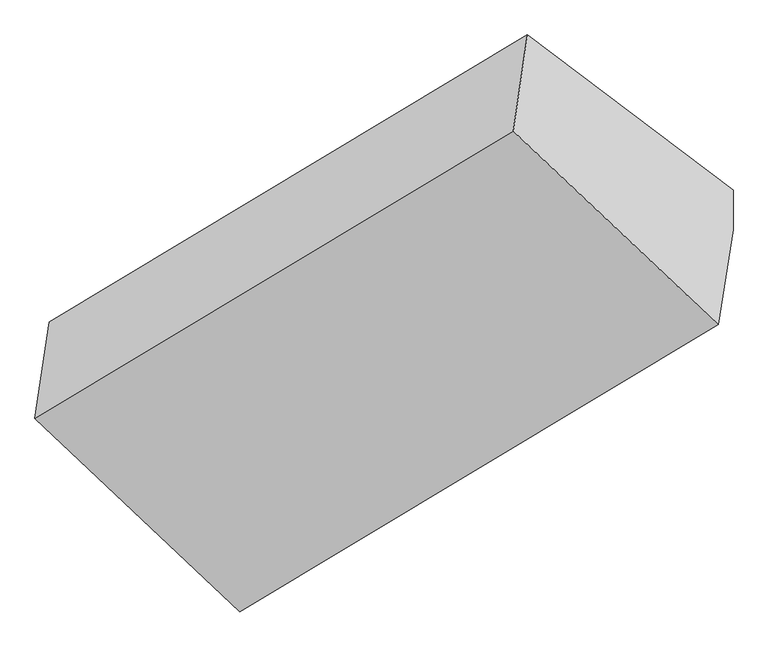
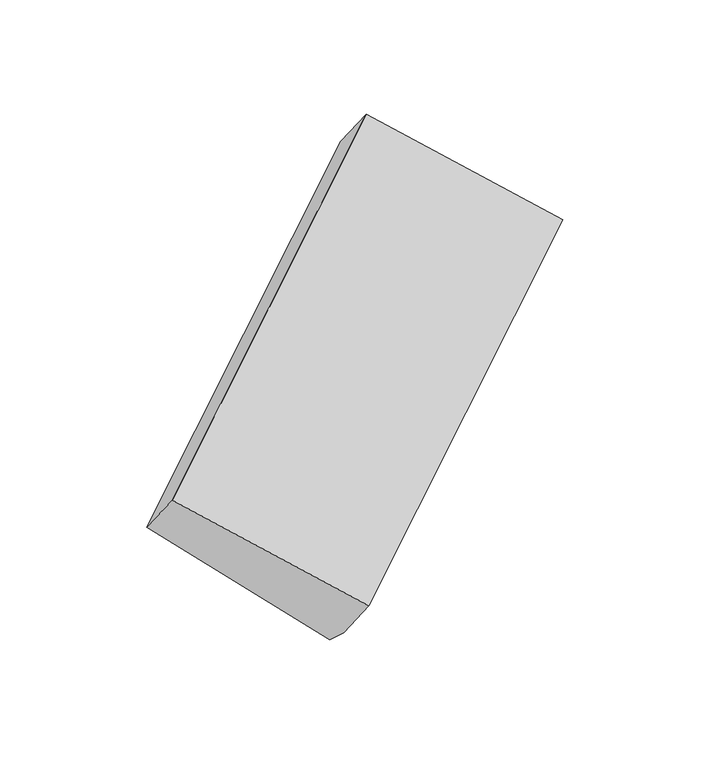
"""IFC4 building model written with IfcOpenShell, lengths in millimetres: proxy geometry."""

import ifcopenshell
import ifcopenshell.guid

model = None  # the IFC model being written
_history = None  # IfcOwnerHistory: only IFC2X3 demands one
_inside = {}  # id of a spatial element -> (the spatial element, [elements in it])
_under = {}  # id of a project, library or spatial element -> (it, [spatial elements below it])
_declared = {}  # id of a project -> (the project, [libraries it declares])
_typed = {}  # id of a type object -> (the type object, [elements of that type])
_made_of = {}  # id of a material, layer set ... -> (it, [elements and type objects made of it])


def new_model(schema):
    """Start an empty IFC model of exactly this schema.

    Asked for "IFC4X3", IfcOpenShell would pick the latest addendum, in which some entities
    have other attributes; the version numbers below select the first issue.
    IFC2X3 requires an IfcOwnerHistory on every rooted entity: one is made here for all.
    """
    global model, _history
    if schema == "IFC4X3":
        model = ifcopenshell.file(schema_version=(4, 3, 0, 0))
    else:
        model = ifcopenshell.file(schema=schema)
    _inside.clear()
    _under.clear()
    _declared.clear()
    _typed.clear()
    _made_of.clear()
    _history = None
    if model.schema == "IFC2X3":
        org = make("IfcOrganization", Name="unknown")
        user = make(
            "IfcPersonAndOrganization",
            ThePerson=make("IfcPerson", FamilyName="unknown"),
            TheOrganization=org,
        )
        app = make(
            "IfcApplication",
            ApplicationDeveloper=org,
            Version="unknown",
            ApplicationFullName="unknown",
            ApplicationIdentifier="unknown",
        )
        _history = make(
            "IfcOwnerHistory",
            OwningUser=user,
            OwningApplication=app,
            ChangeAction="ADDED",
            CreationDate=0,
        )
    return model


def make(cls, **values):
    """One entity of the class cls with the attributes given. An attribute that is None is left unset."""
    return model.create_entity(
        cls, **{name: value for name, value in values.items() if value is not None}
    )


def rooted(cls, **values):
    """An entity with a GlobalId (a new one), such as an element, a storey or a relation."""
    return make(cls, GlobalId=ifcopenshell.guid.new(), OwnerHistory=_history, **values)


def si_unit(unit_type, name, prefix=None):
    """IfcSIUnit, for example si_unit("LENGTHUNIT", "METRE", prefix="MILLI")."""
    return make("IfcSIUnit", UnitType=unit_type, Prefix=prefix, Name=name)


def assignment(units):
    """IfcUnitAssignment: the units of a project."""
    return None if units is None else make("IfcUnitAssignment", Units=units)


def point(xyz):
    """IfcCartesianPoint."""
    return None if xyz is None else make("IfcCartesianPoint", Coordinates=xyz)


def direction(xyz):
    """IfcDirection."""
    return None if xyz is None else make("IfcDirection", DirectionRatios=xyz)


def frame(location, z_axis=None, x_axis=None):
    """IfcAxis2Placement3D, a coordinate frame: its origin and axes. An axis left out is left unset."""
    return make(
        "IfcAxis2Placement3D",
        Location=point(location),
        Axis=direction(z_axis),
        RefDirection=direction(x_axis),
    )


def origin():
    """The frame at (0, 0, 0) with its axes left unset."""
    return frame((0.0, 0.0, 0.0))


def place(relative_to, where):
    """IfcLocalPlacement: puts the frame where relative to a parent placement (None: the world)."""
    return make(
        "IfcLocalPlacement", PlacementRelTo=relative_to, RelativePlacement=where
    )


def context(
    kind, dimensions, precision=None, world=None, true_north=None, identifier=None
):
    """IfcGeometricRepresentationContext, for example the 3D "Model" context."""
    return make(
        "IfcGeometricRepresentationContext",
        ContextIdentifier=identifier,
        ContextType=kind,
        CoordinateSpaceDimension=dimensions,
        Precision=precision,
        WorldCoordinateSystem=world,
        TrueNorth=true_north,
    )


def project(units=None, contexts=None):
    """IfcProject with its units and contexts."""
    return rooted(
        "IfcProject",
        Name="project",
        RepresentationContexts=contexts,
        UnitsInContext=assignment(units),
    )


def spatial(cls, under=None, at=None, **own):
    """A site, building, storey or space (cls), placed at a placement, below another one or the project."""
    s = rooted(cls, ObjectPlacement=at, **own)
    if under is not None:
        _under.setdefault(under.id(), (under, []))[1].append(s)
    return s


def faces_of(points, faces, orient=None, outer=None):
    """IfcFace entities. A face is a list of loops; a loop is a list of indices into points, from 0.

    orient and outer hold one flag for each loop. By default every Orientation is true, the
    first loop of a face is its IfcFaceOuterBound and the others are IfcFaceBound.
    """
    made = []
    for i, loops in enumerate(faces):
        bounds = []
        for j, loop in enumerate(loops):
            is_outer = j == 0 if outer is None else outer[i][j]
            bounds.append(
                make(
                    "IfcFaceOuterBound" if is_outer else "IfcFaceBound",
                    Bound=make("IfcPolyLoop", Polygon=[points[k] for k in loop]),
                    Orientation=True if orient is None else orient[i][j],
                )
            )
        made.append(make("IfcFace", Bounds=bounds))
    return made


def faceted_brep(points, faces, orient=None, outer=None, voids=None):
    """IfcFacetedBrep: a solid bounded by flat faces; with voids (closed shells), ...WithVoids."""
    shared = [point(p) for p in points]
    hull = make("IfcClosedShell", CfsFaces=faces_of(shared, faces, orient, outer))
    if voids is None:
        return make("IfcFacetedBrep", Outer=hull)
    return make(
        "IfcFacetedBrepWithVoids",
        Outer=hull,
        Voids=[
            make(cls, CfsFaces=faces_of(shared, fs, o, b)) for cls, fs, o, b in voids
        ],
    )


def shape(context_of_items, identifier, shape_type, items):
    """IfcShapeRepresentation: the items that make up one representation, for example the "Body"."""
    return make(
        "IfcShapeRepresentation",
        ContextOfItems=context_of_items,
        RepresentationIdentifier=identifier,
        RepresentationType=shape_type,
        Items=items,
    )


def source(mapping_origin, context_of_items, identifier, shape_type, items):
    """IfcRepresentationMap: a shape defined once, which mapped items show again and again."""
    return make(
        "IfcRepresentationMap",
        MappingOrigin=mapping_origin,
        MappedRepresentation=shape(context_of_items, identifier, shape_type, items),
    )


def transform(
    local_origin,
    x_axis=None,
    y_axis=None,
    z_axis=None,
    scale=None,
    scale2=None,
    scale3=None,
    uniform=True,
):
    """IfcCartesianTransformationOperator3D, or its non-uniform kind. x_axis, y_axis, z_axis: its Axis1, 2, 3."""
    if uniform:
        return make(
            "IfcCartesianTransformationOperator3D",
            Axis1=direction(x_axis),
            Axis2=direction(y_axis),
            LocalOrigin=point(local_origin),
            Scale=scale,
            Axis3=direction(z_axis),
        )
    return make(
        "IfcCartesianTransformationOperator3DnonUniform",
        Axis1=direction(x_axis),
        Axis2=direction(y_axis),
        LocalOrigin=point(local_origin),
        Scale=scale,
        Axis3=direction(z_axis),
        Scale2=scale2,
        Scale3=scale3,
    )


def mapped(mapping_source, mapping_target):
    """IfcMappedItem: shows the shape of a source again, moved by a transform."""
    return make(
        "IfcMappedItem", MappingSource=mapping_source, MappingTarget=mapping_target
    )


def made_of(thing, what):
    """Note that an element or type object is made of a material, layer set ...; save() writes the relation."""
    if what is not None:
        _made_of.setdefault(what.id(), (what, []))[1].append(thing)
    return thing


def element(
    cls,
    number,
    at=None,
    inside=None,
    cuts=None,
    type_object=None,
    material=None,
    context=None,
    identifier="Body",
    shape_type=None,
    held_by="IfcProductDefinitionShape",
    body=None,
    shapes=None,
    **own,
):
    """One element of the class cls, such as IfcWall. Its Tag is "e" and its number.

    at: its placement. inside: the storey or other place that contains it. cuts: it is an
    opening in that element (IfcRelVoidsElement). A single representation is given by context,
    identifier, shape_type and body (its items); several are given by shapes. held_by: the class
    of the entity that holds the representations. save() writes the other relations.
    """
    e = rooted(cls, Tag="e%d" % number, ObjectPlacement=at, **own)
    if body is not None:
        shapes = [shape(context, identifier, shape_type, body)]
    if shapes is not None:
        e.Representation = make(held_by, Representations=shapes)
    if inside is not None:
        _inside.setdefault(inside.id(), (inside, []))[1].append(e)
    if cuts is not None:
        rooted(
            "IfcRelVoidsElement", RelatingBuildingElement=cuts, RelatedOpeningElement=e
        )
    if type_object is not None:
        _typed.setdefault(type_object.id(), (type_object, []))[1].append(e)
    return made_of(e, material)


def aggregate(whole, parts):
    """IfcRelAggregates: a whole, such as a stair, and the parts it consists of."""
    return rooted("IfcRelAggregates", RelatingObject=whole, RelatedObjects=parts)


def save(model, path):
    """Write the relations noted so far, then the file.

    IfcRelAggregates (storeys below a building ...), IfcRelContainedInSpatialStructure (elements
    in a storey), IfcRelDefinesByType, IfcRelAssociatesMaterial and IfcRelDeclares: one each for
    every whole, place, type object, material and project.
    """
    for whole, parts in _under.values():
        aggregate(whole, parts)
    for where, things in _inside.values():
        rooted(
            "IfcRelContainedInSpatialStructure",
            RelatedElements=things,
            RelatingStructure=where,
        )
    for kind, things in _typed.values():
        rooted("IfcRelDefinesByType", RelatedObjects=things, RelatingType=kind)
    for what, things in _made_of.values():
        rooted("IfcRelAssociatesMaterial", RelatedObjects=things, RelatingMaterial=what)
    for by, libraries in _declared.values():
        rooted("IfcRelDeclares", RelatingContext=by, RelatedDefinitions=libraries)
    model.write(path)


def generic_models_0db5e044(model_context):
    return source(origin(), model_context, "Body", "Brep", [
        faceted_brep([(-3832.9647789, -1566.2899558, 1577.7423102), (-3873.8035041, -1843.6477238, 1891.8023462), (-2494.681187, -1015.3217565, 2802.6608004), (-2453.8424617, -737.9639884, 2488.6007644), (-3240.2606806, -2013.2795411, 1086.8225995), (-1861.1383634, -1184.9535737, 1997.6810537), (-3240.3079569, -2127.723759, 1190.9686574), (-1861.1856397, -1299.3977917, 2101.8271116), (-3283.1808332, -2402.0685717, 1505.3686297), (-1904.058516, -1573.7426044, 2416.2270839)], [[[0, 1, 2, 3]], [[4, 0, 5]], [[6, 4, 5, 7]], [[8, 6, 7, 9]], [[1, 8, 9, 2]], [[7, 5, 3, 2, 9]], [[1, 0, 4, 6, 8]], [[3, 5, 0]]]),
    ])


if __name__ == "__main__":
    model = new_model("IFC4")
    model_context = context("Model", 3, world=origin())
    ifc_project = project(units=[si_unit("LENGTHUNIT", "METRE", prefix="MILLI")], contexts=[model_context])
    site = spatial("IfcSite", under=ifc_project)
    building = spatial("IfcBuilding", under=site)
    placement = place(None, origin())
    generic_models_shape = generic_models_0db5e044(model_context)
    element("IfcBuildingElementProxy", 1, Name="Generic Models", at=placement, inside=building, context=model_context, shape_type="MappedRepresentation", body=[
        mapped(generic_models_shape, transform((0.0, 0.0, 0.0), x_axis=(1.0, 0.0, 0.0), y_axis=(0.0, 1.0, 0.0), z_axis=(0.0, 0.0, 1.0))),
    ])
    save(model, "model.ifc")
